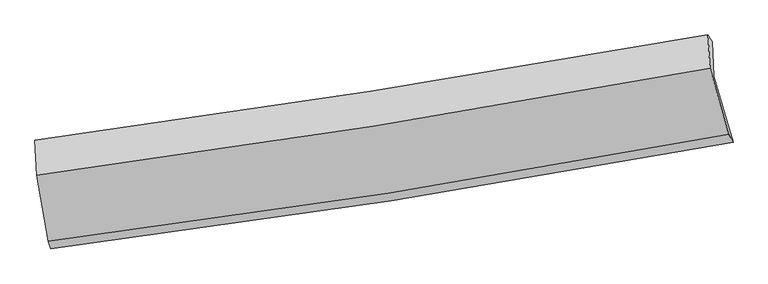
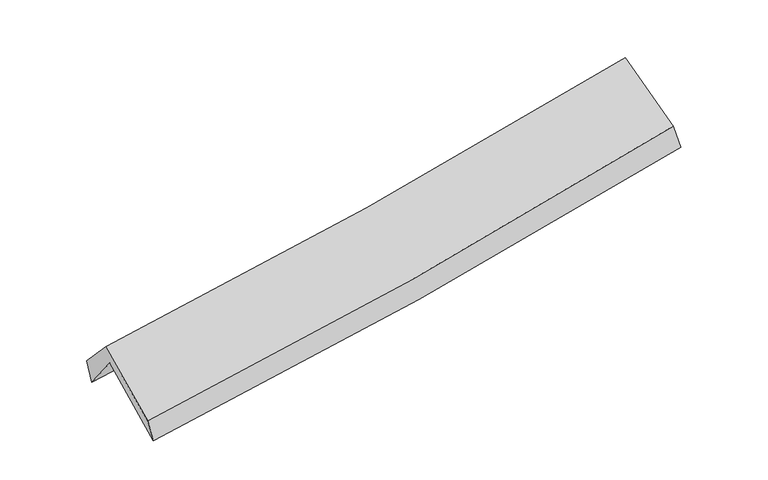
"""IFC4 building model written with IfcOpenShell, lengths in millimetres: proxy geometry."""

from ifc_helpers import new_model, si_unit, frame, origin, place, context, project, spatial, source, transform, mapped, element, save
from ifc_brep_helpers import plane_surface, spline_curve, spline_surface, advanced_brep


def generic_models_a2e416a7(model_context):
    return source(origin(), model_context, "Body", "AdvancedBrep", [
        advanced_brep(
        [(-2484.5771472, -2490.2280414, 1481.1463205), (-2575.0645974, -1981.6091909, 1934.110365), (2515.2062303, -1188.7238754, 2364.0599066), (2660.7121428, -1688.0423607, 1943.0428815), (-2585.7544978, -1724.3104721, 1600.39701), (2502.643346, -928.8874218, 2055.4108575), (-2603.0641801, -1672.0470342, 1775.4666451), (2471.3513866, -877.2117973, 2234.6299307), (-2588.4117213, -1936.943906, 2060.5300341), (2486.918305, -1130.2122355, 2507.2947868), (-2501.4044313, -2433.2332, 1639.187046), (2628.1806992, -1624.9347138, 2114.4209468)],
        [
            (0, 1),
            (1, 2, spline_curve(3, [(-2575.0645974, -1981.6091909, 1934.110365), (-1725.6863647, -1871.367565911, 1983.453930839), (-878.742034617, -1750.524814596, 2043.740126293), (818.059965466, -1486.42596271, 2186.854065078), (1667.872578051, -1342.973608891, 2269.884383381), (2515.2062303, -1188.7238754, 2364.0599066)], [4, 2, 4], [0.0, 8.490527223011576, 17.059284420249067])),
            (2, 3),
            (3, 0, spline_curve(3, [(2660.7121428, -1688.0423607, 1943.0428815), (1805.099086574, -1847.803040112, 1848.987145223), (946.538736844, -1994.780386202, 1763.329721108), (-768.611262869, -2261.943262987, 1609.516848525), (-1625.147343564, -2382.36114414, 1541.208752149), (-2484.5771472, -2490.2280414, 1481.1463205)], [4, 2, 4], [0.0, 8.568757197237492, 17.059284420249067])),
            (1, 4),
            (4, 5, spline_curve(3, [(-2585.7544978, -1724.3104721, 1600.39701), (-1736.098052737, -1612.08083414, 1647.748358129), (-889.168632201, -1490.029975462, 1709.103456503), (807.014466509, -1225.070773676, 1860.515494854), (1656.217660585, -1081.980615862, 1950.831678807), (2502.643346, -928.8874218, 2055.4108575)], [4, 2, 4], [0.0, 8.44370682899665, 16.96521223872376])),
            (5, 2),
            (4, 6),
            (6, 7, spline_curve(3, [(-2603.0641801, -1672.0470342, 1775.4666451), (-1756.656721703, -1557.318733591, 1828.573607898), (-912.513772006, -1434.061350622, 1893.16233296), (779.000005074, -1169.274165947, 2046.004205288), (1626.328910978, -1027.586469968, 2134.469908917), (2471.3513866, -877.2117973, 2234.6299307)], [4, 2, 4], [0.0, 8.433196222357914, 16.944094182875165])),
            (7, 5),
            (6, 8),
            (8, 9, spline_curve(3, [(-2588.4117213, -1936.943906, 2060.5300341), (-1741.6604971, -1823.040199633, 2114.583469994), (-897.269368501, -1699.21470635, 2178.623845013), (794.550997917, -1430.48782668, 2327.360546058), (1641.936545027, -1285.402762797, 2412.241755404), (2486.918305, -1130.2122355, 2507.2947868)], [4, 2, 4], [0.0, 8.42319815030117, 16.924005918578942])),
            (9, 7),
            (8, 10),
            (10, 11, spline_curve(3, [(-2501.4044313, -2433.2332, 1639.187046), (-1644.124751699, -2326.65626168, 1701.596584859), (-789.965368218, -2206.381578862, 1772.184891269), (919.954106604, -1937.202329303, 1930.444782172), (1775.656433103, -1788.044183683, 2018.267776298), (2628.1806992, -1624.9347138, 2114.4209468)], [4, 2, 4], [0.0, 8.470551923261242, 17.019149772438613])),
            (11, 9),
            (10, 0),
            (3, 11),
        ],
        [
            spline_surface(3, 3, [[(-2484.5771472, -2490.2280414, 1481.1463205), (-1625.147343533, -2382.361144066, 1541.208752189), (-768.611263002, -2261.943263091, 1609.516848508), (946.538736979, -1994.780386097, 1763.329721125), (1805.099086491, -1847.80304011, 1848.987145115), (2660.7121428, -1688.0423607, 1943.0428815)], [(-2514.739630622, -2320.688424593, 1632.134335317), (-1658.660350583, -2212.029951372, 1688.623811706), (-805.321520207, -2091.470446959, 1754.257941113), (903.712479828, -1825.328911627, 1904.504502395), (1759.356917023, -1679.526562974, 1989.286224472), (2612.21017196, -1521.602865581, 2083.381889839)], [(-2544.902113978, -2151.148807707, 1783.122350183), (-1692.173357566, -2041.698758598, 1836.03887127), (-842.031777442, -1920.997630789, 1898.999033773), (860.886222648, -1655.877437118, 2045.679283721), (1713.614747575, -1511.250085895, 2129.585303912), (2563.70820114, -1355.163370519, 2223.720898261)], [(-2575.0645974, -1981.6091909, 1934.110365), (-1725.686364616, -1871.367565904, 1983.453930787), (-878.742034648, -1750.524814657, 2043.740126378), (818.059965497, -1486.425962648, 2186.854064992), (1667.872578108, -1342.973608759, 2269.884383269), (2515.2062303, -1188.7238754, 2364.0599066)]], [4, 4], [4, 2, 4], [0.0, 2.220608167104252], [0.0, 8.490527223011576, 17.059284420249067]),
            spline_surface(3, 3, [[(-2575.0645974, -1981.6091909, 1934.110365), (-1725.686364616, -1871.367565904, 1983.453930787), (-878.742034648, -1750.524814657, 2043.740126378), (818.059965497, -1486.425962648, 2186.854064992), (1667.872578108, -1342.973608759, 2269.884383269), (2515.2062303, -1188.7238754, 2364.0599066)], [(-2578.627897508, -1895.84295128, 1822.872580022), (-1729.156927252, -1784.938655309, 1871.552073241), (-882.217567165, -1663.693201559, 1932.194569756), (814.378132466, -1399.307566368, 2078.074541603), (1663.987605637, -1255.975944461, 2163.533481833), (2511.018602231, -1102.111724218, 2261.176890258)], [(-2582.191197692, -1810.07671172, 1711.634794978), (-1732.627489963, -1698.509744774, 1759.650215629), (-885.69309963, -1576.861588445, 1820.649013144), (810.696299486, -1312.189170072, 1969.295018222), (1660.102633073, -1168.978280108, 2057.182580323), (2506.830974069, -1015.499572982, 2158.293873842)], [(-2585.7544978, -1724.3104721, 1600.39701), (-1736.098052599, -1612.080834179, 1647.748358083), (-889.168632147, -1490.029975348, 1709.103456523), (807.014466455, -1225.070773791, 1860.515494833), (1656.217660603, -1081.98061581, 1950.831678887), (2502.643346, -928.8874218, 2055.4108575)]], [4, 4], [4, 2, 4], [0.0, 1.3818374479075999], [0.0, 8.44370682899665, 16.96521223872376]),
            spline_surface(3, 3, [[(-2585.7544978, -1724.3104721, 1600.39701), (-1736.098052599, -1612.080834179, 1647.748358083), (-889.168632147, -1490.029975348, 1709.103456523), (807.014466455, -1225.070773791, 1860.515494833), (1656.217660603, -1081.98061581, 1950.831678887), (2502.643346, -928.8874218, 2055.4108575)], [(-2591.524391922, -1706.889326144, 1658.753555041), (-1742.950942353, -1593.826800649, 1708.023441323), (-896.950345458, -1471.373767053, 1770.456415311), (797.676312697, -1206.471904529, 1922.345065043), (1646.254744065, -1063.849233909, 2012.04442222), (2492.212692864, -911.662213634, 2115.15054855)], [(-2597.294285978, -1689.468180156, 1717.110100059), (-1749.803832041, -1575.572767086, 1768.29852454), (-904.732058786, -1452.717558809, 1831.809374048), (788.338158923, -1187.873035318, 1984.174635203), (1636.291827535, -1045.717852007, 2073.257165601), (2481.782039736, -894.437005466, 2174.89023965)], [(-2603.0641801, -1672.0470342, 1775.4666451), (-1756.656721795, -1557.318733555, 1828.57360778), (-912.513772097, -1434.061350514, 1893.162332835), (779.000005166, -1169.274166056, 2046.004205414), (1626.328910997, -1027.586470106, 2134.469908934), (2471.3513866, -877.2117973, 2234.6299307)]], [4, 4], [4, 2, 4], [0.0, 0.6389391586065869], [0.0, 8.433196222357914, 16.944094182875165]),
            spline_surface(3, 3, [[(-2603.0641801, -1672.0470342, 1775.4666451), (-1756.656721795, -1557.318733555, 1828.57360778), (-912.513772097, -1434.061350514, 1893.162332835), (779.000005166, -1169.274166056, 2046.004205414), (1626.328910997, -1027.586470106, 2134.469908934), (2471.3513866, -877.2117973, 2234.6299307)], [(-2598.180027174, -1760.345991462, 1870.487774752), (-1751.657980241, -1645.892555584, 1923.910228462), (-907.432304275, -1522.445802517, 1988.316170199), (784.183669457, -1256.345386239, 2139.789652318), (1631.531455638, -1113.525234357, 2227.060524402), (2476.540359381, -961.545276688, 2325.518216086)], [(-2593.295874226, -1848.644948738, 1965.508904448), (-1746.659238667, -1734.466377627, 2019.246849189), (-902.350836449, -1610.83025447, 2083.470007572), (789.367333754, -1343.416606373, 2233.575099231), (1636.734000337, -1199.463998646, 2319.651139811), (2481.729332219, -1045.878756112, 2416.406501414)], [(-2588.4117213, -1936.943906, 2060.5300341), (-1741.660497114, -1823.040199656, 2114.583469872), (-897.269368627, -1699.214706472, 2178.623844936), (794.550998045, -1430.487826556, 2327.360546136), (1641.936544978, -1285.402762897, 2412.241755278), (2486.918305, -1130.2122355, 2507.2947868)]], [4, 4], [4, 2, 4], [0.0, 1.2698292808442655], [0.0, 8.42319815030117, 16.924005918578942]),
            spline_surface(3, 3, [[(-2588.4117213, -1936.943906, 2060.5300341), (-1741.660497114, -1823.040199656, 2114.583469872), (-897.269368627, -1699.214706472, 2178.623844936), (794.550998045, -1430.487826556, 2327.360546136), (1641.936544978, -1285.402762897, 2412.241755278), (2486.918305, -1130.2122355, 2507.2947868)], [(-2559.409291296, -2102.373670666, 1920.082371395), (-1709.14858196, -1990.912220354, 1976.921174901), (-861.501368434, -1868.270330594, 2043.144193716), (836.352034219, -1599.392660826, 2195.055291503), (1686.509841027, -1452.949903104, 2280.917095566), (2534.00576975, -1295.119728252, 2376.336840105)], [(-2530.406861304, -2267.803435334, 1779.634708705), (-1676.636666818, -2158.784241052, 1839.258879945), (-825.733368308, -2037.325954698, 1907.664542459), (878.153070325, -1768.297495076, 2062.750036834), (1731.083137028, -1620.497043354, 2149.592435937), (2581.09323445, -1460.027221048, 2245.378893495)], [(-2501.4044313, -2433.2332, 1639.187046), (-1644.124751664, -2326.65626175, 1701.596584975), (-789.965368114, -2206.38157882, 1772.184891239), (919.954106499, -1937.202329346, 1930.444782202), (1775.656433078, -1788.044183561, 2018.267776224), (2628.1806992, -1624.9347138, 2114.4209468)]], [4, 4], [4, 2, 4], [0.0, 2.156022814442625], [0.0, 8.470551923261242, 17.019149772438613]),
            spline_surface(3, 3, [[(-2501.4044313, -2433.2332, 1639.187046), (-1644.124751664, -2326.65626175, 1701.596584975), (-789.965368114, -2206.38157882, 1772.184891239), (919.954106499, -1937.202329346, 1930.444782202), (1775.656433078, -1788.044183561, 2018.267776224), (2628.1806992, -1624.9347138, 2114.4209468)], [(-2495.795336578, -2452.231480454, 1586.506804172), (-1637.798948932, -2345.224555843, 1648.133974052), (-782.847333096, -2224.90214022, 1717.962210324), (928.815649973, -1956.395014906, 1874.739761838), (1785.470650863, -1807.963802438, 1961.840899216), (2639.024513714, -1645.970596127, 2057.294925061)], [(-2490.186241922, -2471.229760946, 1533.826562328), (-1631.473146265, -2363.792849973, 1594.671363112), (-775.72929802, -2243.422701691, 1663.739529423), (937.677193505, -1975.587700537, 1819.034741489), (1795.284868705, -1827.883421233, 1905.414022124), (2649.868328286, -1667.006478373, 2000.168903239)], [(-2484.5771472, -2490.2280414, 1481.1463205), (-1625.147343533, -2382.361144066, 1541.208752189), (-768.611263002, -2261.943263091, 1609.516848508), (946.538736979, -1994.780386097, 1763.329721125), (1805.099086491, -1847.80304011, 1848.987145115), (2660.7121428, -1688.0423607, 1943.0428815)]], [4, 4], [4, 2, 4], [0.0, 0.5773983178172795], [0.0, 8.527395733902328, 17.133361140918637]),
            plane_surface(frame((2544.168685, -1239.6687341, 2203.1432183), z_axis=(0.9756153431153693, 0.1858578439217863, 0.11675428955985095), x_axis=(0.2182181755641478, -0.764233377114514, -0.6069004639622547))),
            plane_surface(frame((-2556.3794292, -2039.7286408, 1748.4729034), z_axis=(-0.9906984191641022, -0.12125575094871013, -0.061755041313348906), x_axis=(-0.09966147250493351, 0.33755832252613993, 0.936013872649058))),
        ],
        [
            (0, [[1, 2, 3, 4]]),
            (1, [[5, 6, 7, -2]]),
            (2, [[8, 9, 10, -6]]),
            (3, [[11, 12, 13, -9]]),
            (4, [[14, 15, 16, -12]]),
            (5, [[17, -4, 18, -15]]),
            (6, [[-16, -18, -3, -7, -10, -13]]),
            (7, [[-17, -14, -11, -8, -5, -1]]),
        ],
    ),
    ])


if __name__ == "__main__":
    model = new_model("IFC4")
    model_context = context("Model", 3, world=origin())
    ifc_project = project(units=[si_unit("LENGTHUNIT", "METRE", prefix="MILLI")], contexts=[model_context])
    site = spatial("IfcSite", under=ifc_project)
    building = spatial("IfcBuilding", under=site)
    placement = place(None, origin())
    generic_models_shape = generic_models_a2e416a7(model_context)
    element("IfcBuildingElementProxy", 1, Name="Generic Models", at=placement, inside=building, context=model_context, shape_type="MappedRepresentation", body=[
        mapped(generic_models_shape, transform((0.0, 0.0, 0.0), x_axis=(1.0, 0.0, 0.0), y_axis=(0.0, 1.0, 0.0), z_axis=(0.0, 0.0, 1.0))),
    ])
    save(model, "model.ifc")
